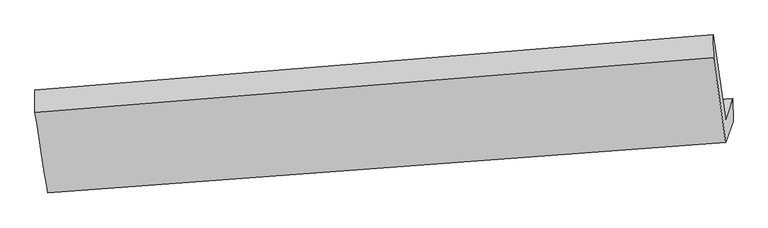
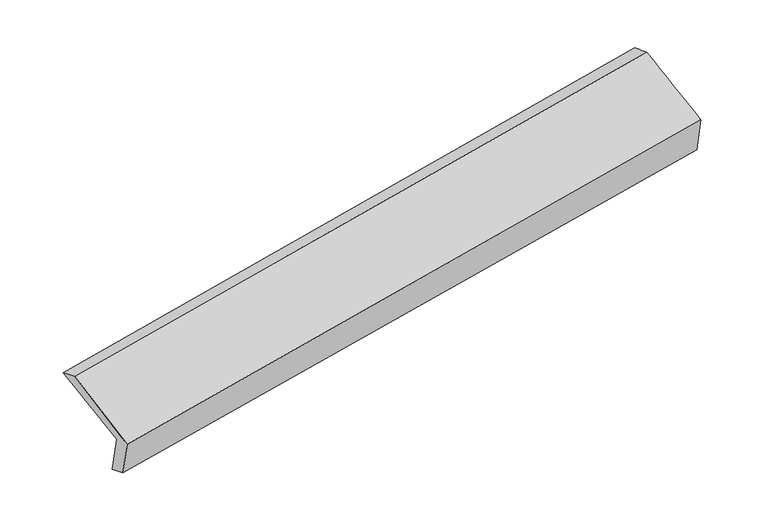
"""IFC4 building model written with IfcOpenShell, lengths in millimetres: proxy geometry."""

import ifcopenshell
import ifcopenshell.guid

model = None  # the IFC model being written
_history = None  # IfcOwnerHistory: only IFC2X3 demands one
_inside = {}  # id of a spatial element -> (the spatial element, [elements in it])
_under = {}  # id of a project, library or spatial element -> (it, [spatial elements below it])
_declared = {}  # id of a project -> (the project, [libraries it declares])
_typed = {}  # id of a type object -> (the type object, [elements of that type])
_made_of = {}  # id of a material, layer set ... -> (it, [elements and type objects made of it])


def new_model(schema):
    """Start an empty IFC model of exactly this schema.

    Asked for "IFC4X3", IfcOpenShell would pick the latest addendum, in which some entities
    have other attributes; the version numbers below select the first issue.
    IFC2X3 requires an IfcOwnerHistory on every rooted entity: one is made here for all.
    """
    global model, _history
    if schema == "IFC4X3":
        model = ifcopenshell.file(schema_version=(4, 3, 0, 0))
    else:
        model = ifcopenshell.file(schema=schema)
    _inside.clear()
    _under.clear()
    _declared.clear()
    _typed.clear()
    _made_of.clear()
    _history = None
    if model.schema == "IFC2X3":
        org = make("IfcOrganization", Name="unknown")
        user = make(
            "IfcPersonAndOrganization",
            ThePerson=make("IfcPerson", FamilyName="unknown"),
            TheOrganization=org,
        )
        app = make(
            "IfcApplication",
            ApplicationDeveloper=org,
            Version="unknown",
            ApplicationFullName="unknown",
            ApplicationIdentifier="unknown",
        )
        _history = make(
            "IfcOwnerHistory",
            OwningUser=user,
            OwningApplication=app,
            ChangeAction="ADDED",
            CreationDate=0,
        )
    return model


def make(cls, **values):
    """One entity of the class cls with the attributes given. An attribute that is None is left unset."""
    return model.create_entity(
        cls, **{name: value for name, value in values.items() if value is not None}
    )


def rooted(cls, **values):
    """An entity with a GlobalId (a new one), such as an element, a storey or a relation."""
    return make(cls, GlobalId=ifcopenshell.guid.new(), OwnerHistory=_history, **values)


def si_unit(unit_type, name, prefix=None):
    """IfcSIUnit, for example si_unit("LENGTHUNIT", "METRE", prefix="MILLI")."""
    return make("IfcSIUnit", UnitType=unit_type, Prefix=prefix, Name=name)


def assignment(units):
    """IfcUnitAssignment: the units of a project."""
    return None if units is None else make("IfcUnitAssignment", Units=units)


def point(xyz):
    """IfcCartesianPoint."""
    return None if xyz is None else make("IfcCartesianPoint", Coordinates=xyz)


def direction(xyz):
    """IfcDirection."""
    return None if xyz is None else make("IfcDirection", DirectionRatios=xyz)


def frame(location, z_axis=None, x_axis=None):
    """IfcAxis2Placement3D, a coordinate frame: its origin and axes. An axis left out is left unset."""
    return make(
        "IfcAxis2Placement3D",
        Location=point(location),
        Axis=direction(z_axis),
        RefDirection=direction(x_axis),
    )


def origin():
    """The frame at (0, 0, 0) with its axes left unset."""
    return frame((0.0, 0.0, 0.0))


def place(relative_to, where):
    """IfcLocalPlacement: puts the frame where relative to a parent placement (None: the world)."""
    return make(
        "IfcLocalPlacement", PlacementRelTo=relative_to, RelativePlacement=where
    )


def context(
    kind, dimensions, precision=None, world=None, true_north=None, identifier=None
):
    """IfcGeometricRepresentationContext, for example the 3D "Model" context."""
    return make(
        "IfcGeometricRepresentationContext",
        ContextIdentifier=identifier,
        ContextType=kind,
        CoordinateSpaceDimension=dimensions,
        Precision=precision,
        WorldCoordinateSystem=world,
        TrueNorth=true_north,
    )


def project(units=None, contexts=None):
    """IfcProject with its units and contexts."""
    return rooted(
        "IfcProject",
        Name="project",
        RepresentationContexts=contexts,
        UnitsInContext=assignment(units),
    )


def spatial(cls, under=None, at=None, **own):
    """A site, building, storey or space (cls), placed at a placement, below another one or the project."""
    s = rooted(cls, ObjectPlacement=at, **own)
    if under is not None:
        _under.setdefault(under.id(), (under, []))[1].append(s)
    return s


def shape(context_of_items, identifier, shape_type, items):
    """IfcShapeRepresentation: the items that make up one representation, for example the "Body"."""
    return make(
        "IfcShapeRepresentation",
        ContextOfItems=context_of_items,
        RepresentationIdentifier=identifier,
        RepresentationType=shape_type,
        Items=items,
    )


def source(mapping_origin, context_of_items, identifier, shape_type, items):
    """IfcRepresentationMap: a shape defined once, which mapped items show again and again."""
    return make(
        "IfcRepresentationMap",
        MappingOrigin=mapping_origin,
        MappedRepresentation=shape(context_of_items, identifier, shape_type, items),
    )


def transform(
    local_origin,
    x_axis=None,
    y_axis=None,
    z_axis=None,
    scale=None,
    scale2=None,
    scale3=None,
    uniform=True,
):
    """IfcCartesianTransformationOperator3D, or its non-uniform kind. x_axis, y_axis, z_axis: its Axis1, 2, 3."""
    if uniform:
        return make(
            "IfcCartesianTransformationOperator3D",
            Axis1=direction(x_axis),
            Axis2=direction(y_axis),
            LocalOrigin=point(local_origin),
            Scale=scale,
            Axis3=direction(z_axis),
        )
    return make(
        "IfcCartesianTransformationOperator3DnonUniform",
        Axis1=direction(x_axis),
        Axis2=direction(y_axis),
        LocalOrigin=point(local_origin),
        Scale=scale,
        Axis3=direction(z_axis),
        Scale2=scale2,
        Scale3=scale3,
    )


def mapped(mapping_source, mapping_target):
    """IfcMappedItem: shows the shape of a source again, moved by a transform."""
    return make(
        "IfcMappedItem", MappingSource=mapping_source, MappingTarget=mapping_target
    )


def made_of(thing, what):
    """Note that an element or type object is made of a material, layer set ...; save() writes the relation."""
    if what is not None:
        _made_of.setdefault(what.id(), (what, []))[1].append(thing)
    return thing


def element(
    cls,
    number,
    at=None,
    inside=None,
    cuts=None,
    type_object=None,
    material=None,
    context=None,
    identifier="Body",
    shape_type=None,
    held_by="IfcProductDefinitionShape",
    body=None,
    shapes=None,
    **own,
):
    """One element of the class cls, such as IfcWall. Its Tag is "e" and its number.

    at: its placement. inside: the storey or other place that contains it. cuts: it is an
    opening in that element (IfcRelVoidsElement). A single representation is given by context,
    identifier, shape_type and body (its items); several are given by shapes. held_by: the class
    of the entity that holds the representations. save() writes the other relations.
    """
    e = rooted(cls, Tag="e%d" % number, ObjectPlacement=at, **own)
    if body is not None:
        shapes = [shape(context, identifier, shape_type, body)]
    if shapes is not None:
        e.Representation = make(held_by, Representations=shapes)
    if inside is not None:
        _inside.setdefault(inside.id(), (inside, []))[1].append(e)
    if cuts is not None:
        rooted(
            "IfcRelVoidsElement", RelatingBuildingElement=cuts, RelatedOpeningElement=e
        )
    if type_object is not None:
        _typed.setdefault(type_object.id(), (type_object, []))[1].append(e)
    return made_of(e, material)


def aggregate(whole, parts):
    """IfcRelAggregates: a whole, such as a stair, and the parts it consists of."""
    return rooted("IfcRelAggregates", RelatingObject=whole, RelatedObjects=parts)


def save(model, path):
    """Write the relations noted so far, then the file.

    IfcRelAggregates (storeys below a building ...), IfcRelContainedInSpatialStructure (elements
    in a storey), IfcRelDefinesByType, IfcRelAssociatesMaterial and IfcRelDeclares: one each for
    every whole, place, type object, material and project.
    """
    for whole, parts in _under.values():
        aggregate(whole, parts)
    for where, things in _inside.values():
        rooted(
            "IfcRelContainedInSpatialStructure",
            RelatedElements=things,
            RelatingStructure=where,
        )
    for kind, things in _typed.values():
        rooted("IfcRelDefinesByType", RelatedObjects=things, RelatingType=kind)
    for what, things in _made_of.values():
        rooted("IfcRelAssociatesMaterial", RelatedObjects=things, RelatingMaterial=what)
    for by, libraries in _declared.values():
        rooted("IfcRelDeclares", RelatingContext=by, RelatedDefinitions=libraries)
    model.write(path)


def plane_surface(at):
    """IfcPlane: the flat surface through the origin of the frame at, square to its z axis."""
    return make("IfcPlane", Position=at)


def spline_surface(u_degree, v_degree, points, u_multiplicities, v_multiplicities, u_knots, v_knots, weights=None):
    """IfcBSplineSurfaceWithKnots; with weights, IfcRationalBSplineSurfaceWithKnots. points: one row for each step in u."""
    own = dict(
        UDegree=u_degree,
        VDegree=v_degree,
        ControlPointsList=[[point(p) for p in row] for row in points],
        SurfaceForm="UNSPECIFIED",
        UClosed=False,
        VClosed=False,
        SelfIntersect=False,
        UMultiplicities=u_multiplicities,
        VMultiplicities=v_multiplicities,
        UKnots=u_knots,
        VKnots=v_knots,
        KnotSpec="UNSPECIFIED",
    )
    if weights is None:
        return make("IfcBSplineSurfaceWithKnots", **own)
    return make("IfcRationalBSplineSurfaceWithKnots", WeightsData=weights, **own)


def advanced_brep(points, edges, surfaces, faces):
    """IfcAdvancedBrep: a solid bounded by faces that lie on surfaces and meet in shared edges.

    An edge is (start, end): straight between two places in points (the first is 0);
    or (start, end, curve); or (start, end, curve, False) where it runs against its curve.
    A face is (place in surfaces, loops), or (place, loops, False) where it looks against
    its surface's normal. A loop lists edges by number (the first is 1), with a minus sign
    where the edge is run from its end to its start. The first loop is the outer one.
    """
    corners = [point(p) for p in points]
    vertices = [make("IfcVertexPoint", VertexGeometry=c) for c in corners]
    made = []
    for start, end, *more in edges:
        made.append(
            make(
                "IfcEdgeCurve",
                EdgeStart=vertices[start],
                EdgeEnd=vertices[end],
                EdgeGeometry=more[0] if more else make("IfcPolyline", Points=[corners[start], corners[end]]),
                SameSense=more[1] if len(more) > 1 else True,
            )
        )
    hull = []
    for where, loops, *sense in faces:
        bounds = []
        for j, loop in enumerate(loops):
            ring = [make("IfcOrientedEdge", EdgeElement=made[abs(k) - 1], Orientation=k > 0) for k in loop]
            bounds.append(
                make(
                    "IfcFaceOuterBound" if j == 0 else "IfcFaceBound",
                    Bound=make("IfcEdgeLoop", EdgeList=ring),
                    Orientation=True,
                )
            )
        hull.append(make("IfcAdvancedFace", Bounds=bounds, FaceSurface=surfaces[where], SameSense=sense[0] if sense else True))
    return make("IfcAdvancedBrep", Outer=make("IfcClosedShell", CfsFaces=hull))


def generic_models_7b0a57bc(model_context):
    return source(origin(), model_context, "Body", "AdvancedBrep", [
        advanced_brep(
        [(-5325.2452661, -1881.1895771, 1513.2464519), (-5414.1944767, -1267.9582576, 1754.7907331), (-463.8503601, -865.2463431, 2612.1314147), (-374.6456271, -1483.1374366, 2368.6920363), (-5272.0602209, -1725.8875461, 1138.552002), (-322.4085328, -1330.6034524, 2000.6760037), (-5271.049277, -1873.7470707, 1197.9609355), (-319.3814314, -1499.4124414, 2057.218493), (-5321.5859482, -2021.315765, 1553.9973015), (-372.2301305, -1653.7323312, 2429.5433484), (-5413.8109277, -1432.8859502, 1825.3412269), (-461.7689636, -1033.5270389, 2673.8944847)],
        [
            (0, 1),
            (1, 2),
            (2, 3),
            (3, 0),
            (4, 0),
            (3, 5),
            (5, 4),
            (6, 4),
            (5, 7),
            (7, 6),
            (8, 6),
            (7, 9),
            (9, 8),
            (10, 8),
            (9, 11),
            (11, 10),
            (1, 10),
            (11, 2),
        ],
        [
            spline_surface(1, 1, [[(-5325.2452661, -1881.1895771, 1513.2464519), (-374.6456271, -1483.1374366, 2368.6920363)], [(-5414.1944767, -1267.9582576, 1754.7907331), (-463.8503601, -865.2463431, 2612.1314147)]], [2, 2], [2, 2], [0.0, 1.0], [0.0, 1.0]),
            plane_surface(frame((-5298.6527435, -1803.5385616, 1325.899227), z_axis=(-0.1367858254462705, 0.9218281332698778, 0.36266035166413696), x_axis=(-0.13001257717463907, -0.37964087865275126, 0.9159528006574224))),
            spline_surface(1, 1, [[(-5271.049277, -1873.7470707, 1197.9609355), (-319.3814314, -1499.4124414, 2057.218493)], [(-5272.0602209, -1725.8875461, 1138.552002), (-322.4085328, -1330.6034524, 2000.6760037)]], [2, 2], [2, 2], [0.0, 1.0], [0.0, 1.0]),
            plane_surface(frame((-5296.3176126, -1947.5314179, 1375.9791185), z_axis=(0.13276520558441943, -0.9221402358118828, -0.36336040742344566), x_axis=(0.1300125771746387, 0.3796408786527511, -0.9159528006574225))),
            spline_surface(1, 1, [[(-5413.8109277, -1432.8859502, 1825.3412269), (-461.7689636, -1033.5270389, 2673.8944847)], [(-5321.5859482, -2021.315765, 1553.9973015), (-372.2301305, -1653.7323312, 2429.5433484)]], [2, 2], [2, 2], [0.0, 1.0], [0.0, 1.0]),
            spline_surface(1, 1, [[(-5414.1944767, -1267.9582576, 1754.7907331), (-463.8503601, -865.2463431, 2612.1314147)], [(-5413.8109277, -1432.8859502, 1825.3412269), (-461.7689636, -1033.5270389, 2673.8944847)]], [2, 2], [2, 2], [0.0, 1.0], [0.0, 1.0]),
            plane_surface(frame((-385.7141742, -1310.9431739, 2357.0259635), z_axis=(0.9825346950920821, 0.07470303481447996, 0.1704260236284815), x_axis=(0.1300125771746387, 0.3796408786527511, -0.9159528006574225))),
            plane_surface(frame((-5336.3243528, -1700.4973611, 1497.3147751), z_axis=(-0.9824504253205321, -0.07528537099845668, -0.17065542681418158), x_axis=(0.13374562259716702, -0.9220655704283628, -0.3631902975944074))),
        ],
        [
            (0, [[1, 2, 3, 4]]),
            (1, [[5, -4, 6, 7]]),
            (2, [[8, -7, 9, 10]]),
            (3, [[11, -10, 12, 13]]),
            (4, [[14, -13, 15, 16]]),
            (5, [[17, -16, 18, -2]]),
            (6, [[-12, -9, -6, -3, -18, -15]]),
            (7, [[-1, -5, -8, -11, -14, -17]]),
        ],
    ),
    ])


if __name__ == "__main__":
    model = new_model("IFC4")
    model_context = context("Model", 3, world=origin())
    ifc_project = project(units=[si_unit("LENGTHUNIT", "METRE", prefix="MILLI")], contexts=[model_context])
    site = spatial("IfcSite", under=ifc_project)
    building = spatial("IfcBuilding", under=site)
    placement = place(None, origin())
    generic_models_shape = generic_models_7b0a57bc(model_context)
    element("IfcBuildingElementProxy", 1, Name="Generic Models", at=placement, inside=building, context=model_context, shape_type="MappedRepresentation", body=[
        mapped(generic_models_shape, transform((0.0, 0.0, 0.0), x_axis=(1.0, 0.0, 0.0), y_axis=(0.0, 1.0, 0.0), z_axis=(0.0, 0.0, 1.0))),
    ])
    save(model, "model.ifc")
